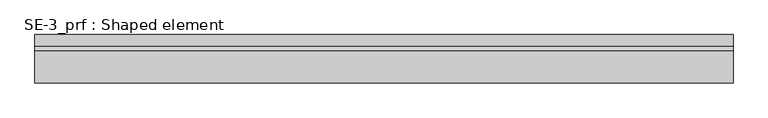
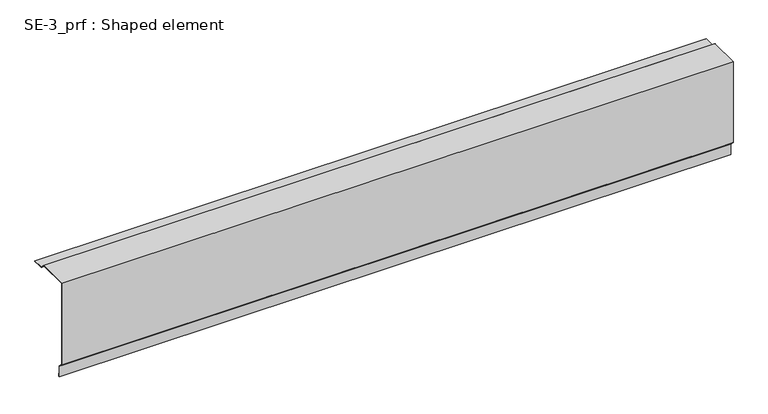
"""IFC4 building model written with IfcOpenShell, lengths in millimetres: proxy geometry, SE-3_prf : Shaped element."""

from ifc_helpers import new_model, si_unit, frame, origin, place, context, project, spatial, polyline, outline, extrude, source, transform, mapped, element, save


def se_3_prf_shaped_element_ed81252e(model_context):
    return source(origin(), model_context, "Body", "SweptSolid", [
        extrude(outline(polyline([(-20.0, 20.0), (95.0, 20.0), (110.0, 5.0), (150.0, 5.0), (150.0, 2.0), (140.0, 2.0), (140.0, 3.0), (149.0, 3.0), (149.0, 4.0), (109.5857864, 4.0), (94.5857864, 19.0), (-19.0, 19.0), (-19.0, -294.5857864), (-4.0, -309.5857864), (-4.0, -349.0), (-3.0, -349.0), (-3.0, -340.0), (-2.0, -340.0), (-2.0, -350.0), (-5.0, -350.0), (-5.0, -310.0), (-20.0, -295.0), (-20.0, 20.0)])), frame((0.0, 0.0, 0.0), z_axis=(1.0, 0.0, 0.0), x_axis=(0.0, 1.0, 0.0)), (0.0, 0.0, 1.0), 2460.0),
    ])


if __name__ == "__main__":
    model = new_model("IFC4")
    model_context = context("Model", 3, world=origin())
    ifc_project = project(units=[si_unit("LENGTHUNIT", "METRE", prefix="MILLI")], contexts=[model_context])
    site = spatial("IfcSite", under=ifc_project)
    building = spatial("IfcBuilding", under=site)
    placement = place(None, origin())
    se_3_prf_shaped_element_shape = se_3_prf_shaped_element_ed81252e(model_context)
    element("IfcBuildingElementProxy", 1, Name="SE-3_prf : Shaped element", ObjectType="SE-3_prf : Shaped element", at=placement, inside=building, context=model_context, shape_type="MappedRepresentation", body=[
        mapped(se_3_prf_shaped_element_shape, transform((0.0, 0.0, 0.0), x_axis=(1.0, 0.0, 0.0), y_axis=(0.0, 1.0, 0.0), z_axis=(0.0, 0.0, 1.0))),
    ])
    save(model, "model.ifc")
